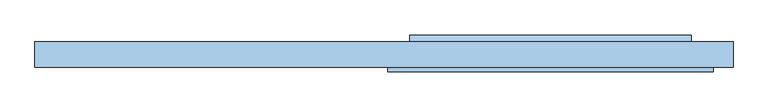
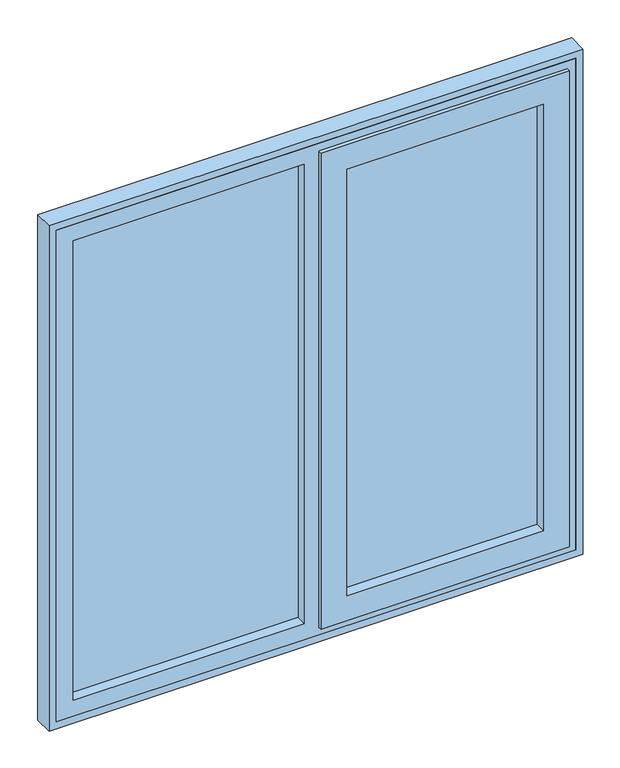
"""IFC4 building model written with IfcOpenShell, lengths in millimetres: window geometry."""

from ifc_helpers import new_model, si_unit, frame, origin, place, context, project, spatial, polyline, outline, extrude, faceted_brep, source, transform, mapped, element, save


def window_8d00f779(model_context):
    return source(origin(), model_context, "Body", "SolidModel", [
        extrude(outline(polyline([(-33.0, 76.0), (-682.0, 76.0), (-682.0, 90.0), (-33.0, 90.0), (-33.0, 76.0)])), frame((0.0, 0.0, 968.0), z_axis=(0.0, 0.0, 1.0), x_axis=(1.0, 0.0, 0.0)), (0.0, 0.0, 1.0), 1364.0),
        faceted_brep([(8.0, 36.0, 943.0), (8.0, 46.0, 943.0), (707.0, 46.0, 943.0), (707.0, 36.0, 943.0), (39.0, 90.0, 974.0), (39.0, 100.0, 974.0), (676.0, 100.0, 974.0), (676.0, 90.0, 974.0), (82.0, 100.0, 1017.0), (82.0, 36.0, 1017.0), (633.0, 36.0, 1017.0), (633.0, 100.0, 1017.0), (707.0, 46.0, 2357.0), (707.0, 36.0, 2357.0), (676.0, 100.0, 2326.0), (676.0, 90.0, 2326.0), (633.0, 36.0, 2283.0), (633.0, 100.0, 2283.0), (8.0, 46.0, 2357.0), (8.0, 36.0, 2357.0), (39.0, 100.0, 2326.0), (39.0, 90.0, 2326.0), (82.0, 36.0, 2283.0), (82.0, 100.0, 2283.0), (33.0, 90.0, 968.0), (33.0, 90.0, 2332.0), (682.0, 90.0, 2332.0), (682.0, 90.0, 968.0), (33.0, 46.0, 968.0), (682.0, 46.0, 968.0), (682.0, 46.0, 2332.0), (33.0, 46.0, 2332.0)], [[[0, 1, 2, 3]], [[4, 5, 6, 7]], [[8, 9, 10, 11]], [[3, 2, 12, 13]], [[7, 6, 14, 15]], [[11, 10, 16, 17]], [[13, 12, 18, 19]], [[15, 14, 20, 21]], [[17, 16, 22, 23]], [[19, 18, 1, 0]], [[5, 20, 14, 6], [11, 17, 23, 8]], [[21, 20, 5, 4]], [[24, 25, 26, 27], [7, 15, 21, 4]], [[23, 22, 9, 8]], [[3, 13, 19, 0], [9, 22, 16, 10]], [[28, 24, 27, 29]], [[29, 27, 26, 30]], [[30, 26, 25, 31]], [[1, 18, 12, 2], [29, 30, 31, 28]], [[31, 25, 24, 28]]]),
        extrude(outline(polyline([(633.0, 66.0), (82.0, 66.0), (82.0, 90.0), (633.0, 90.0), (633.0, 66.0)])), frame((0.0, 0.0, 1017.0), z_axis=(0.0, 0.0, 1.0), x_axis=(1.0, 0.0, 0.0)), (0.0, 0.0, 1.0), 1266.0),
        extrude(outline(polyline([(115.0, 974.0), (100.0, 974.0), (100.0, 986.5), (115.0, 979.0), (115.0, 974.0)])), frame((55.0, 0.0, 0.0), z_axis=(1.0, 0.0, 0.0), x_axis=(0.0, 1.0, 0.0)), (0.0, 0.0, 1.0), 605.0),
        extrude(outline(polyline([(920.0, 730.0), (2380.0, 730.0), (2380.0, -730.0), (920.0, -730.0), (920.0, 730.0)]), holes=[polyline([(2332.0, -682.0), (2332.0, -33.0), (968.0, -33.0), (968.0, -682.0), (2332.0, -682.0)]), polyline([(2332.0, 682.0), (968.0, 682.0), (968.0, 33.0), (2332.0, 33.0), (2332.0, 682.0)])]), frame((0.0, 46.0, 0.0), z_axis=(0.0, 1.0, 0.0), x_axis=(0.0, 0.0, 1.0)), (0.0, 0.0, 1.0), 54.0),
        extrude(outline(polyline([(2400.0, 750.0), (2400.0, -750.0), (900.0, -750.0), (900.0, 750.0), (2400.0, 750.0)]), holes=[polyline([(920.0, -730.0), (2380.0, -730.0), (2380.0, 730.0), (920.0, 730.0), (920.0, -730.0)])]), frame((0.0, 46.0, 0.0), z_axis=(0.0, 1.0, 0.0), x_axis=(0.0, 0.0, 1.0)), (0.0, 0.0, 1.0), 54.0),
    ])


if __name__ == "__main__":
    model = new_model("IFC4")
    model_context = context("Model", 3, world=origin())
    ifc_project = project(units=[si_unit("LENGTHUNIT", "METRE", prefix="MILLI")], contexts=[model_context])
    site = spatial("IfcSite", under=ifc_project)
    building = spatial("IfcBuilding", under=site)
    placement = place(None, origin())
    window_shape = window_8d00f779(model_context)
    element("IfcWindow", 1, at=placement, inside=building, context=model_context, shape_type="MappedRepresentation", body=[
        mapped(window_shape, transform((0.0, 0.0, 0.0), x_axis=(1.0, 0.0, 0.0), y_axis=(0.0, 1.0, 0.0), z_axis=(0.0, 0.0, 1.0))),
    ])
    save(model, "model.ifc")
